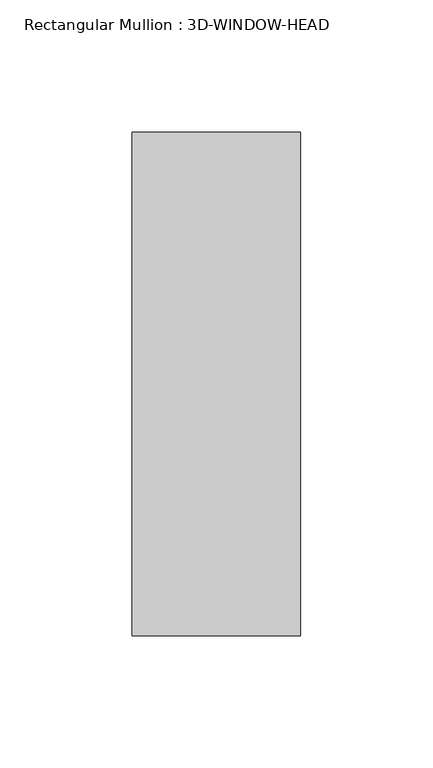
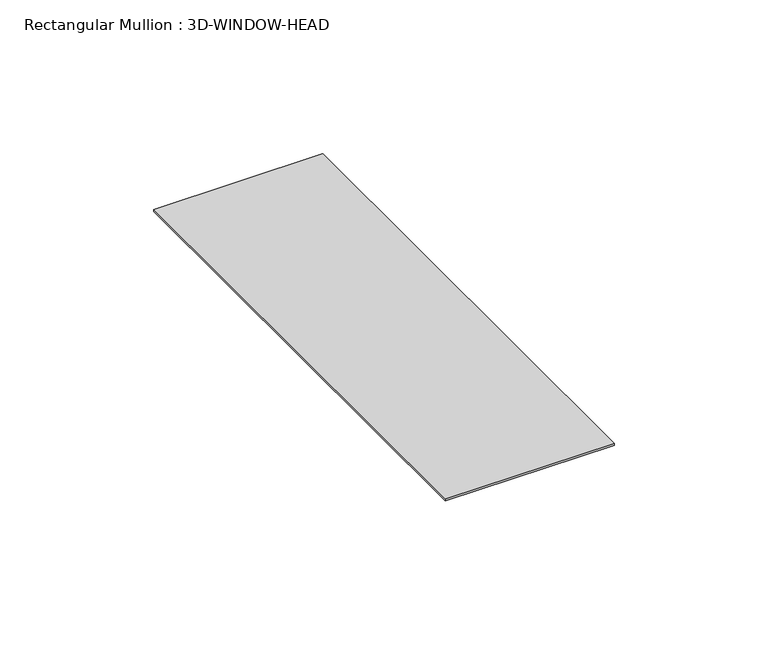
"""IFC4 building model written with IfcOpenShell, lengths in millimetres: member geometry, Rectangular Mullion : 3D-WINDOW-HEAD."""

from ifc_helpers import new_model, si_unit, frame, origin, place, context, project, spatial, polyline, outline, extrude, source, transform, mapped, element, save


def rectangular_mullion_3d_window_head_46870982(model_context):
    return source(origin(), model_context, "Body", "SweptSolid", [
        extrude(outline(polyline([(31.75, 94.996), (31.75, -94.996), (-31.75, -94.996), (-31.75, 94.996), (31.75, 94.996)])), frame((0.0, 0.0, -0.79375), z_axis=(0.0, 0.0, 1.0), x_axis=(1.0, 0.0, 0.0)), (0.0, 0.0, 1.0), 0.79375),
    ])


if __name__ == "__main__":
    model = new_model("IFC4")
    model_context = context("Model", 3, world=origin())
    ifc_project = project(units=[si_unit("LENGTHUNIT", "METRE", prefix="MILLI")], contexts=[model_context])
    site = spatial("IfcSite", under=ifc_project)
    building = spatial("IfcBuilding", under=site)
    placement = place(None, origin())
    rectangular_mullion_3d_window_head_shape = rectangular_mullion_3d_window_head_46870982(model_context)
    element("IfcMember", 1, ObjectType="Rectangular Mullion : 3D-WINDOW-HEAD", at=placement, inside=building, context=model_context, shape_type="MappedRepresentation", body=[
        mapped(rectangular_mullion_3d_window_head_shape, transform((0.0, 0.0, 0.0), x_axis=(1.0, 0.0, 0.0), y_axis=(0.0, 1.0, 0.0), z_axis=(0.0, 0.0, 1.0))),
    ])
    save(model, "model.ifc")
